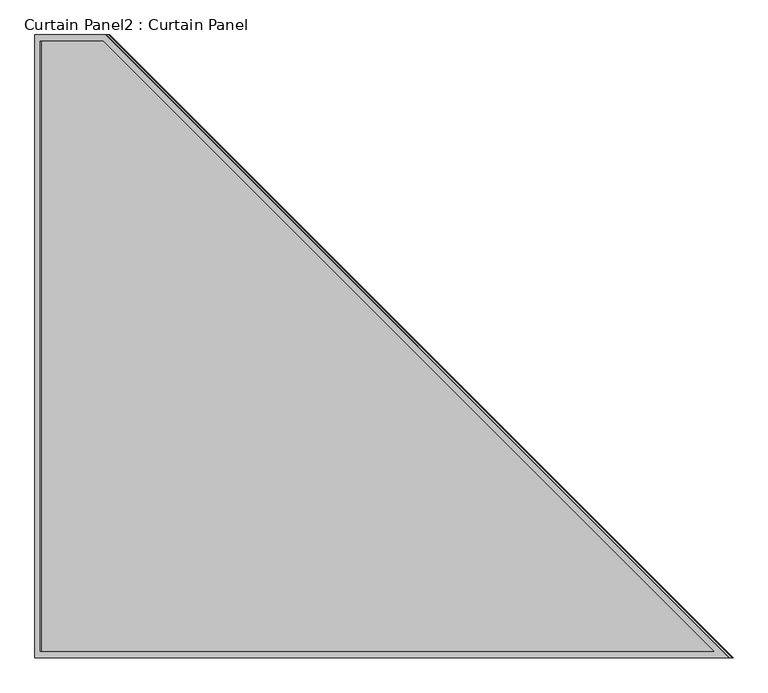
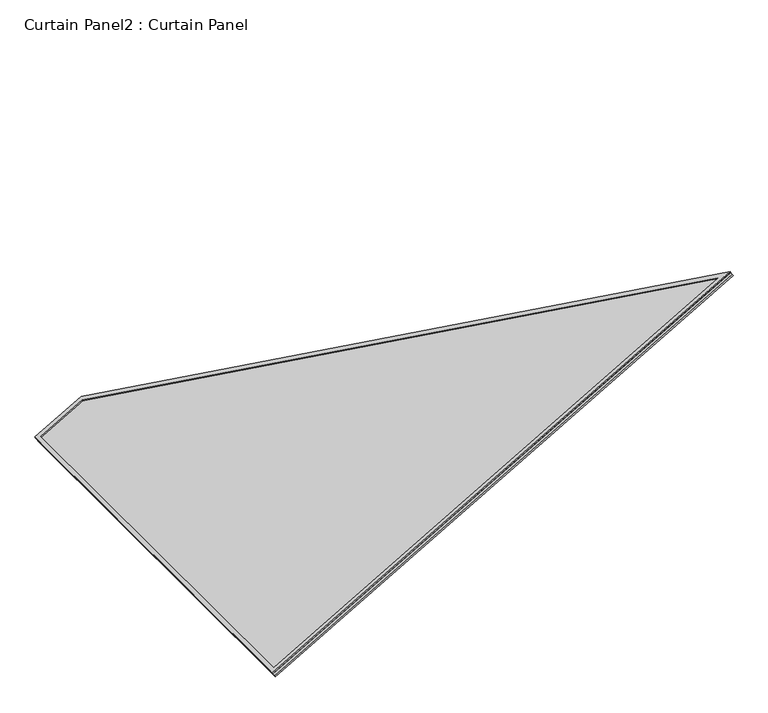
"""IFC4 building model written with IfcOpenShell, lengths in millimetres: plate geometry, Curtain Panel2 : Curtain Panel."""

from ifc_helpers import new_model, si_unit, frame, origin, place, context, project, spatial, polyline, outline, extrude, source, transform, mapped, element, save


def curtain_panel2_curtain_panel_ba6926cb(model_context):
    return source(origin(), model_context, "Body", "SweptSolid", [
        extrude(outline(polyline([(1974.9839581, -15.8890782), (-15.8890782, -15.8890782), (-15.8890782, 1533.5109218), (185.890944, 1533.5109218), (1974.9839581, -15.8890782)]), holes=[polyline([(179.9671033, 1517.6218436), (0.0, 1517.6218436), (0.0, 0.0), (1932.3658632, 0.0), (179.9671033, 1517.6218436)])]), frame((2526.2220326, -11259.3319654, 1699.879823), z_axis=(-0.4999999999999992, 0.0, 0.8660254037844392), x_axis=(0.8660254037844392, 0.0, 0.4999999999999992)), (0.0, 0.0, 1.0), 4.0711437),
        extrude(outline(polyline([(1979.7478364, -11.1252), (-11.1252, -11.1252), (-11.1252, 1538.2748), (190.6548222, 1538.2748), (1979.7478364, -11.1252)]), holes=[polyline([(186.5070729, 1527.1496), (0.0, 1527.1496), (0.0, 0.0), (1949.9075383, 0.0), (186.5070729, 1527.1496)])]), frame((2531.3003211, -11264.0958436, 1681.5562128), z_axis=(-0.4999999999999992, 0.0, 0.8660254037844392), x_axis=(0.8660254037844392, 0.0, 0.4999999999999992)), (0.0, 0.0, 1.0), 4.8148875),
        extrude(outline(polyline([(12.7, 0.0), (1562.1, 0.0), (1562.1, -201.7800222), (12.7, -1990.8730364), (12.7, 0.0)])), frame((2519.2581716, -11287.9210436, 1680.1634277), z_axis=(-0.49999999999999944, 0.0, 0.866025403784439), x_axis=(0.0, 1.0, 0.0)), (0.0, 0.0, 1.0), 13.5929688),
    ])


if __name__ == "__main__":
    model = new_model("IFC4")
    model_context = context("Model", 3, world=origin())
    ifc_project = project(units=[si_unit("LENGTHUNIT", "METRE", prefix="MILLI")], contexts=[model_context])
    site = spatial("IfcSite", under=ifc_project)
    building = spatial("IfcBuilding", under=site)
    placement = place(None, origin())
    curtain_panel2_curtain_panel_shape = curtain_panel2_curtain_panel_ba6926cb(model_context)
    element("IfcPlate", 1, ObjectType="Curtain Panel2 : Curtain Panel", at=placement, inside=building, context=model_context, shape_type="MappedRepresentation", body=[
        mapped(curtain_panel2_curtain_panel_shape, transform((0.0, 0.0, 0.0), x_axis=(1.0, 0.0, 0.0), y_axis=(0.0, 1.0, 0.0), z_axis=(0.0, 0.0, 1.0))),
    ])
    save(model, "model.ifc")
